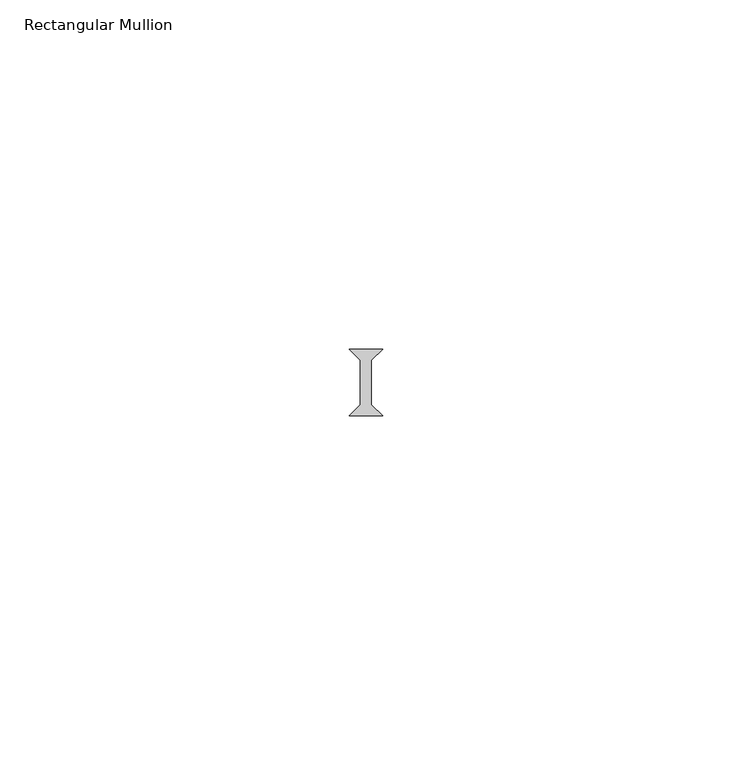
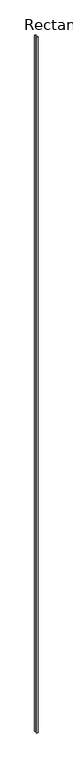
"""IFC4 building model written with IfcOpenShell, lengths in millimetres: member geometry, Rectangular Mullion."""

from ifc_helpers import new_model, si_unit, frame, origin, place, context, project, spatial, polyline, outline, extrude, source, transform, mapped, element, save


def rectangular_mullion_ae7e0cf1(model_context):
    return source(origin(), model_context, "Body", "SweptSolid", [
        extrude(outline(polyline([(-2.38125, -25.4), (2.38125, -25.4), (0.79375, -26.9875), (0.79375, -33.3375), (2.38125, -34.925), (-2.38125, -34.925), (-0.79375, -33.3375), (-0.79375, -26.9875), (-2.38125, -25.4)])), frame((0.0, 0.0, -2359.025), z_axis=(0.0, 0.0, 1.0), x_axis=(1.0, 0.0, 0.0)), (0.0, 0.0, 1.0), 2359.025),
    ])


if __name__ == "__main__":
    model = new_model("IFC4")
    model_context = context("Model", 3, world=origin())
    ifc_project = project(units=[si_unit("LENGTHUNIT", "METRE", prefix="MILLI")], contexts=[model_context])
    site = spatial("IfcSite", under=ifc_project)
    building = spatial("IfcBuilding", under=site)
    placement = place(None, origin())
    rectangular_mullion_shape = rectangular_mullion_ae7e0cf1(model_context)
    element("IfcMember", 1, ObjectType="Rectangular Mullion", at=placement, inside=building, context=model_context, shape_type="MappedRepresentation", body=[
        mapped(rectangular_mullion_shape, transform((0.0, 0.0, 0.0), x_axis=(1.0, 0.0, 0.0), y_axis=(0.0, 1.0, 0.0), z_axis=(0.0, 0.0, 1.0))),
    ])
    save(model, "model.ifc")
